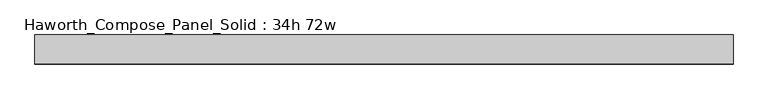
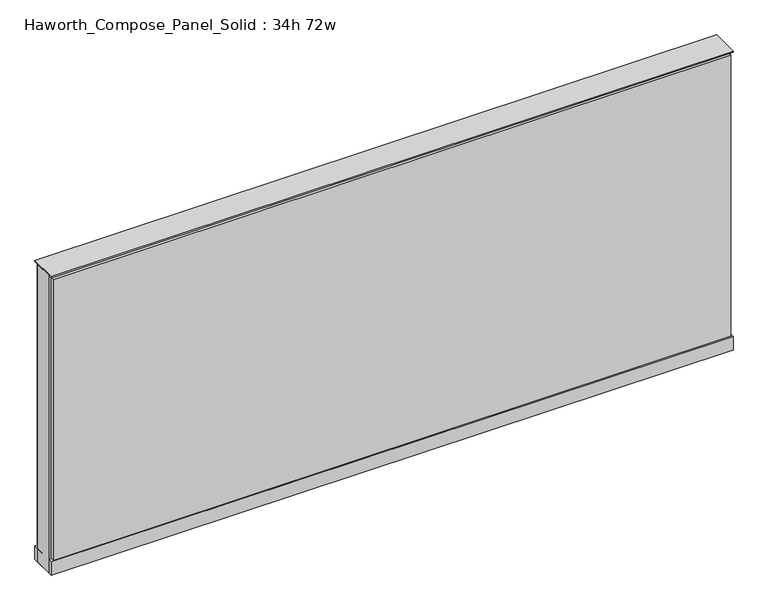
"""IFC4 building model written with IfcOpenShell, lengths in millimetres: furniture geometry, Haworth_Compose_Panel_Solid : 34h 72w."""

from ifc_helpers import new_model, si_unit, point, frame, frame_2d, origin, origin_with_axes, place, context, project, spatial, polyline, circle_curve, trimmed, segment, composite_curve, outline, extrude, source, transform, mapped, element, save


def haworth_compose_panel_solid_34h_72w_56fc3d54(model_context):
    return source(origin(), model_context, "Body", "SweptSolid", [
        extrude(outline(composite_curve([segment(trimmed(circle_curve(frame_2d((-835.7597098, 0.0)), 12.7), [point((-848.4597098, 0.0))], [point((-823.0597098, 0.0))], False, "CARTESIAN"), True, "CONTINUOUS"), segment(trimmed(circle_curve(frame_2d((-835.7597098, 0.0)), 12.7), [point((-823.0597098, 0.0))], [point((-848.4597098, 0.0))], False, "CARTESIAN"), True, "CONTINUOUS")], self_intersect=False)), origin_with_axes(), (0.0, 0.0, 1.0), 12.7),
        extrude(outline(composite_curve([segment(trimmed(circle_curve(frame_2d((840.6402902, 0.0)), 12.7), [point((827.9402902, 0.0))], [point((853.3402902, 0.0))], False, "CARTESIAN"), True, "CONTINUOUS"), segment(trimmed(circle_curve(frame_2d((840.6402902, 0.0)), 12.7), [point((853.3402902, 0.0))], [point((827.9402902, 0.0))], False, "CARTESIAN"), True, "CONTINUOUS")], self_intersect=False)), origin_with_axes(), (0.0, 0.0, 1.0), 12.7),
        extrude(outline(polyline([(910.4902902, 38.1), (910.4902902, 25.4), (-905.6097098, 25.4), (-905.6097098, 38.1), (910.4902902, 38.1)])), frame((0.0, 0.0, 53.975), z_axis=(0.0, 0.0, 1.0), x_axis=(1.0, 0.0, 0.0)), (0.0, 0.0, 1.0), 796.925),
        extrude(outline(polyline([(910.4902902, -38.1), (-905.6097098, -38.1), (-905.6097098, -25.4), (910.4902902, -25.4), (910.4902902, -38.1)])), frame((0.0, 0.0, 53.975), z_axis=(0.0, 0.0, 1.0), x_axis=(1.0, 0.0, 0.0)), (0.0, 0.0, 1.0), 796.925),
        extrude(outline(polyline([(916.8402902, 25.4), (916.8402902, -25.4), (-911.9597098, -25.4), (-911.9597098, 25.4), (916.8402902, 25.4)])), frame((0.0, 0.0, 12.7), z_axis=(0.0, 0.0, 1.0), x_axis=(1.0, 0.0, 0.0)), (0.0, 0.0, 1.0), 844.55),
        extrude(outline(polyline([(-911.9597098, -38.1), (-911.9597098, 38.1), (916.8402902, 38.1), (916.8402902, -38.1), (-911.9597098, -38.1)])), frame((0.0, 0.0, 12.7), z_axis=(0.0, 0.0, 1.0), x_axis=(1.0, 0.0, 0.0)), (0.0, 0.0, 1.0), 38.1),
        extrude(outline(polyline([(-911.9597098, -38.1), (-911.9597098, 38.1), (916.8402902, 38.1), (916.8402902, -38.1), (-911.9597098, -38.1)])), frame((0.0, 0.0, 857.25), z_axis=(0.0, 0.0, 1.0), x_axis=(1.0, 0.0, 0.0)), (0.0, 0.0, 1.0), 3.175),
    ])


if __name__ == "__main__":
    model = new_model("IFC4")
    model_context = context("Model", 3, world=origin())
    ifc_project = project(units=[si_unit("LENGTHUNIT", "METRE", prefix="MILLI")], contexts=[model_context])
    site = spatial("IfcSite", under=ifc_project)
    building = spatial("IfcBuilding", under=site)
    placement = place(None, origin())
    haworth_compose_panel_solid_34h_72w_shape = haworth_compose_panel_solid_34h_72w_56fc3d54(model_context)
    element("IfcFurniture", 1, ObjectType="Haworth_Compose_Panel_Solid : 34h 72w", at=placement, inside=building, context=model_context, shape_type="MappedRepresentation", body=[
        mapped(haworth_compose_panel_solid_34h_72w_shape, transform((0.0, 0.0, 0.0), x_axis=(1.0, 0.0, 0.0), y_axis=(0.0, 1.0, 0.0), z_axis=(0.0, 0.0, 1.0))),
    ])
    save(model, "model.ifc")
